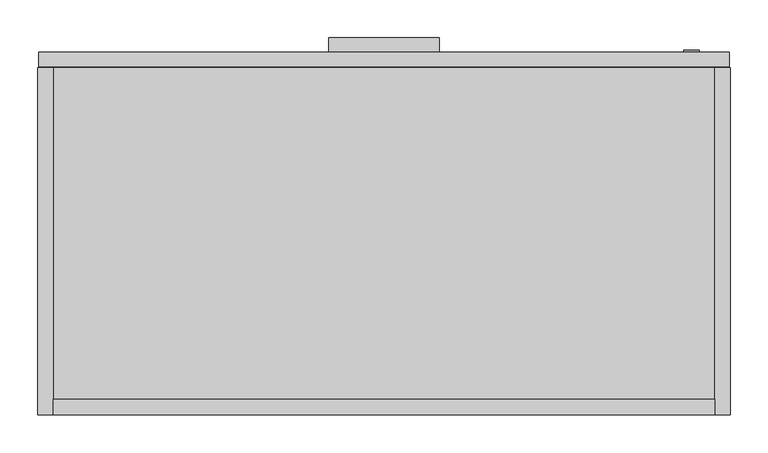
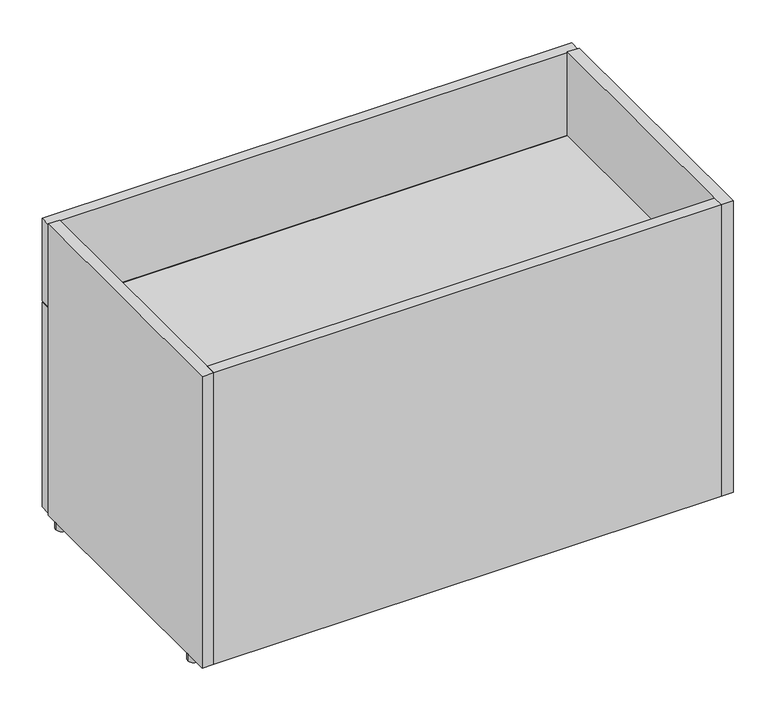
"""IFC4 building model written with IfcOpenShell, lengths in millimetres: furniture geometry."""

from ifc_helpers import new_model, si_unit, point, frame, frame_2d, origin, origin_with_axes, place, context, project, spatial, polyline, circle_curve, trimmed, segment, composite_curve, outline, extrude, source, transform, mapped, element, save


def furniture_aa565452(model_context):
    return source(origin(), model_context, "Body", "SweptSolid", [
        extrude(outline(polyline([(498.5971736, 365.125), (498.5971736, 349.2246), (494.157, 349.2246), (494.157, 357.1748), (479.425, 357.1748), (479.425, 365.125), (498.5971736, 365.125)])), frame((384.175, 0.0, 0.0), z_axis=(1.0, 0.0, 0.0), x_axis=(0.0, 1.0, 0.0)), (0.0, 0.0, 1.0), 146.05),
        extrude(outline(polyline([(498.5971736, 517.525), (498.5971736, 501.6246), (494.157, 501.6246), (494.157, 509.5748), (479.425, 509.5748), (479.425, 517.525), (498.5971736, 517.525)])), frame((384.175, 0.0, 0.0), z_axis=(1.0, 0.0, 0.0), x_axis=(0.0, 1.0, 0.0)), (0.0, 0.0, 1.0), 146.05),
        extrude(outline(composite_curve([segment(trimmed(circle_curve(frame_2d((362.585, 863.6)), 10.16), [point((362.585, 853.44))], [point((362.585, 873.76))], False, "CARTESIAN"), True, "CONTINUOUS"), segment(trimmed(circle_curve(frame_2d((362.585, 863.6)), 10.16), [point((362.585, 873.76))], [point((362.585, 853.44))], False, "CARTESIAN"), True, "CONTINUOUS")], self_intersect=False)), frame((0.0, 479.425, 0.0), z_axis=(0.0, 1.0, 0.0), x_axis=(0.0, 0.0, 1.0)), (0.0, 0.0, 1.0), 2.54),
        extrude(outline(composite_curve([segment(trimmed(circle_curve(frame_2d((10.16, 43.18)), 10.16), [point((0.0, 43.18))], [point((20.32, 43.18))], False, "CARTESIAN"), True, "CONTINUOUS"), segment(trimmed(circle_curve(frame_2d((10.16, 43.18)), 10.16), [point((20.32, 43.18))], [point((0.0, 43.18))], False, "CARTESIAN"), True, "CONTINUOUS")], self_intersect=False)), origin_with_axes(), (0.0, 0.0, 1.0), 12.7),
        extrude(outline(composite_curve([segment(trimmed(circle_curve(frame_2d((904.24, 43.18)), 10.16), [point((894.08, 43.18))], [point((914.4, 43.18))], False, "CARTESIAN"), True, "CONTINUOUS"), segment(trimmed(circle_curve(frame_2d((904.24, 43.18)), 10.16), [point((914.4, 43.18))], [point((894.08, 43.18))], False, "CARTESIAN"), True, "CONTINUOUS")], self_intersect=False)), origin_with_axes(), (0.0, 0.0, 1.0), 12.7),
        extrude(outline(composite_curve([segment(trimmed(circle_curve(frame_2d((10.16, 436.245)), 10.16), [point((0.0, 436.245))], [point((20.32, 436.245))], False, "CARTESIAN"), True, "CONTINUOUS"), segment(trimmed(circle_curve(frame_2d((10.16, 436.245)), 10.16), [point((20.32, 436.245))], [point((0.0, 436.245))], False, "CARTESIAN"), True, "CONTINUOUS")], self_intersect=False)), origin_with_axes(), (0.0, 0.0, 1.0), 12.7),
        extrude(outline(composite_curve([segment(trimmed(circle_curve(frame_2d((904.24, 436.245)), 10.16), [point((894.08, 436.245))], [point((914.4, 436.245))], False, "CARTESIAN"), True, "CONTINUOUS"), segment(trimmed(circle_curve(frame_2d((904.24, 436.245)), 10.16), [point((914.4, 436.245))], [point((894.08, 436.245))], False, "CARTESIAN"), True, "CONTINUOUS")], self_intersect=False)), origin_with_axes(), (0.0, 0.0, 1.0), 12.7),
        extrude(outline(polyline([(913.13, 460.375), (1.27, 460.375), (1.27, 479.425), (913.13, 479.425), (913.13, 460.375)])), frame((0.0, 0.0, 390.525), z_axis=(0.0, 0.0, 1.0), x_axis=(1.0, 0.0, 0.0)), (0.0, 0.0, 1.0), 149.86),
        extrude(outline(polyline([(913.13, 460.375), (1.27, 460.375), (1.27, 479.425), (913.13, 479.425), (913.13, 460.375)])), frame((0.0, 0.0, 15.24), z_axis=(0.0, 0.0, 1.0), x_axis=(1.0, 0.0, 0.0)), (0.0, 0.0, 1.0), 372.745),
        extrude(outline(polyline([(894.08, 20.32), (20.32, 20.32), (20.32, 459.105), (894.08, 459.105), (894.08, 20.32)])), frame((0.0, 0.0, 370.205), z_axis=(0.0, 0.0, 1.0), x_axis=(1.0, 0.0, 0.0)), (0.0, 0.0, 1.0), 20.32),
        extrude(outline(polyline([(0.0, 12.7), (0.0, 542.925), (20.32, 542.925), (20.32, 105.41), (459.105, 105.41), (459.105, 12.7), (0.0, 12.7)])), frame((20.32, 0.0, 0.0), z_axis=(1.0, 0.0, 0.0), x_axis=(0.0, 1.0, 0.0)), (0.0, 0.0, 1.0), 873.76),
        extrude(outline(polyline([(20.32, 0.0), (0.0, 0.0), (0.0, 459.105), (20.32, 459.105), (20.32, 0.0)])), frame((0.0, 0.0, 12.7), z_axis=(0.0, 0.0, 1.0), x_axis=(1.0, 0.0, 0.0)), (0.0, 0.0, 1.0), 530.225),
        extrude(outline(polyline([(894.08, 0.0), (894.08, 459.105), (914.4, 459.105), (914.4, 0.0), (894.08, 0.0)])), frame((0.0, 0.0, 12.7), z_axis=(0.0, 0.0, 1.0), x_axis=(1.0, 0.0, 0.0)), (0.0, 0.0, 1.0), 530.225),
    ])


if __name__ == "__main__":
    model = new_model("IFC4")
    model_context = context("Model", 3, world=origin())
    ifc_project = project(units=[si_unit("LENGTHUNIT", "METRE", prefix="MILLI")], contexts=[model_context])
    site = spatial("IfcSite", under=ifc_project)
    building = spatial("IfcBuilding", under=site)
    placement = place(None, origin())
    furniture_shape = furniture_aa565452(model_context)
    element("IfcFurniture", 1, at=placement, inside=building, context=model_context, shape_type="MappedRepresentation", body=[
        mapped(furniture_shape, transform((0.0, 0.0, 0.0), x_axis=(1.0, 0.0, 0.0), y_axis=(0.0, 1.0, 0.0), z_axis=(0.0, 0.0, 1.0))),
    ])
    save(model, "model.ifc")
